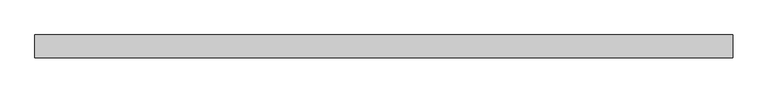
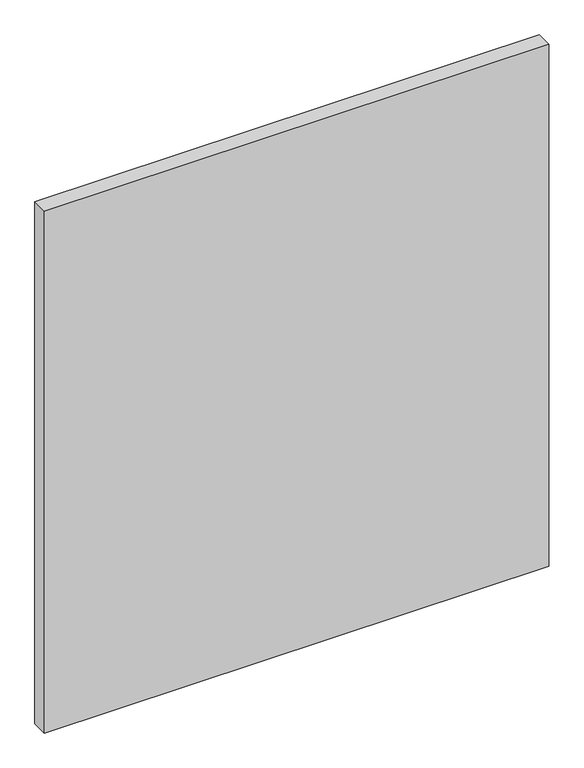
"""IFC4 building model written with IfcOpenShell, lengths in millimetres: plate geometry."""

from ifc_helpers import new_model, si_unit, origin, origin_with_axes, place, context, project, spatial, polyline, outline, extrude, source, transform, mapped, element, save


def plate_7e463839(model_context):
    return source(origin(), model_context, "Body", "SweptSolid", [
        extrude(outline(polyline([(535.0625, -17.5), (-535.0625, -17.5), (-535.0625, 17.5), (535.0625, 17.5), (535.0625, -17.5)])), origin_with_axes(), (0.0, 0.0, 1.0), 1170.0),
    ])


if __name__ == "__main__":
    model = new_model("IFC4")
    model_context = context("Model", 3, world=origin())
    ifc_project = project(units=[si_unit("LENGTHUNIT", "METRE", prefix="MILLI")], contexts=[model_context])
    site = spatial("IfcSite", under=ifc_project)
    building = spatial("IfcBuilding", under=site)
    placement = place(None, origin())
    plate_shape = plate_7e463839(model_context)
    element("IfcPlate", 1, at=placement, inside=building, context=model_context, shape_type="MappedRepresentation", body=[
        mapped(plate_shape, transform((0.0, 0.0, 0.0), x_axis=(1.0, 0.0, 0.0), y_axis=(0.0, 1.0, 0.0), z_axis=(0.0, 0.0, 1.0))),
    ])
    save(model, "model.ifc")
